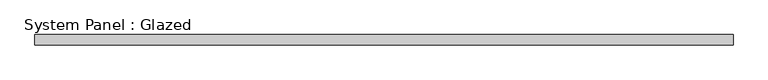
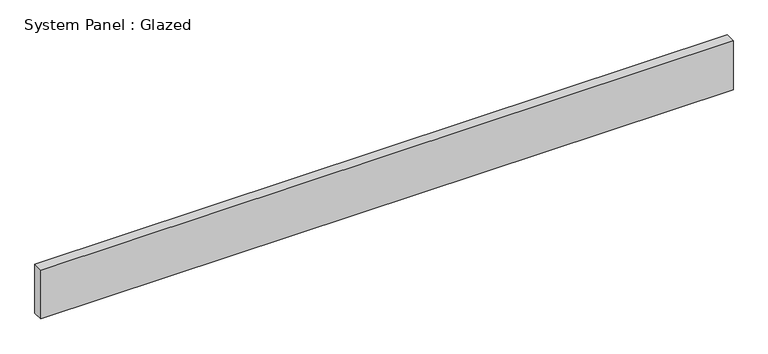
"""IFC4 building model written with IfcOpenShell, lengths in millimetres: plate geometry, System Panel : Glazed."""

import ifcopenshell
import ifcopenshell.guid

model = None  # the IFC model being written
_history = None  # IfcOwnerHistory: only IFC2X3 demands one
_inside = {}  # id of a spatial element -> (the spatial element, [elements in it])
_under = {}  # id of a project, library or spatial element -> (it, [spatial elements below it])
_declared = {}  # id of a project -> (the project, [libraries it declares])
_typed = {}  # id of a type object -> (the type object, [elements of that type])
_made_of = {}  # id of a material, layer set ... -> (it, [elements and type objects made of it])


def new_model(schema):
    """Start an empty IFC model of exactly this schema.

    Asked for "IFC4X3", IfcOpenShell would pick the latest addendum, in which some entities
    have other attributes; the version numbers below select the first issue.
    IFC2X3 requires an IfcOwnerHistory on every rooted entity: one is made here for all.
    """
    global model, _history
    if schema == "IFC4X3":
        model = ifcopenshell.file(schema_version=(4, 3, 0, 0))
    else:
        model = ifcopenshell.file(schema=schema)
    _inside.clear()
    _under.clear()
    _declared.clear()
    _typed.clear()
    _made_of.clear()
    _history = None
    if model.schema == "IFC2X3":
        org = make("IfcOrganization", Name="unknown")
        user = make(
            "IfcPersonAndOrganization",
            ThePerson=make("IfcPerson", FamilyName="unknown"),
            TheOrganization=org,
        )
        app = make(
            "IfcApplication",
            ApplicationDeveloper=org,
            Version="unknown",
            ApplicationFullName="unknown",
            ApplicationIdentifier="unknown",
        )
        _history = make(
            "IfcOwnerHistory",
            OwningUser=user,
            OwningApplication=app,
            ChangeAction="ADDED",
            CreationDate=0,
        )
    return model


def make(cls, **values):
    """One entity of the class cls with the attributes given. An attribute that is None is left unset."""
    return model.create_entity(
        cls, **{name: value for name, value in values.items() if value is not None}
    )


def rooted(cls, **values):
    """An entity with a GlobalId (a new one), such as an element, a storey or a relation."""
    return make(cls, GlobalId=ifcopenshell.guid.new(), OwnerHistory=_history, **values)


def si_unit(unit_type, name, prefix=None):
    """IfcSIUnit, for example si_unit("LENGTHUNIT", "METRE", prefix="MILLI")."""
    return make("IfcSIUnit", UnitType=unit_type, Prefix=prefix, Name=name)


def assignment(units):
    """IfcUnitAssignment: the units of a project."""
    return None if units is None else make("IfcUnitAssignment", Units=units)


def point(xyz):
    """IfcCartesianPoint."""
    return None if xyz is None else make("IfcCartesianPoint", Coordinates=xyz)


def direction(xyz):
    """IfcDirection."""
    return None if xyz is None else make("IfcDirection", DirectionRatios=xyz)


def frame(location, z_axis=None, x_axis=None):
    """IfcAxis2Placement3D, a coordinate frame: its origin and axes. An axis left out is left unset."""
    return make(
        "IfcAxis2Placement3D",
        Location=point(location),
        Axis=direction(z_axis),
        RefDirection=direction(x_axis),
    )


def origin():
    """The frame at (0, 0, 0) with its axes left unset."""
    return frame((0.0, 0.0, 0.0))


def origin_with_axes():
    """The frame at (0, 0, 0) with the z axis (0, 0, 1) and the x axis (1, 0, 0) written out."""
    return frame((0.0, 0.0, 0.0), z_axis=(0.0, 0.0, 1.0), x_axis=(1.0, 0.0, 0.0))


def place(relative_to, where):
    """IfcLocalPlacement: puts the frame where relative to a parent placement (None: the world)."""
    return make(
        "IfcLocalPlacement", PlacementRelTo=relative_to, RelativePlacement=where
    )


def context(
    kind, dimensions, precision=None, world=None, true_north=None, identifier=None
):
    """IfcGeometricRepresentationContext, for example the 3D "Model" context."""
    return make(
        "IfcGeometricRepresentationContext",
        ContextIdentifier=identifier,
        ContextType=kind,
        CoordinateSpaceDimension=dimensions,
        Precision=precision,
        WorldCoordinateSystem=world,
        TrueNorth=true_north,
    )


def project(units=None, contexts=None):
    """IfcProject with its units and contexts."""
    return rooted(
        "IfcProject",
        Name="project",
        RepresentationContexts=contexts,
        UnitsInContext=assignment(units),
    )


def spatial(cls, under=None, at=None, **own):
    """A site, building, storey or space (cls), placed at a placement, below another one or the project."""
    s = rooted(cls, ObjectPlacement=at, **own)
    if under is not None:
        _under.setdefault(under.id(), (under, []))[1].append(s)
    return s


def polyline(points):
    """IfcPolyline through the points."""
    return make("IfcPolyline", Points=[point(p) for p in points])


def outline(outer, holes=None, kind="AREA"):
    """IfcArbitraryClosedProfileDef: a profile drawn as a closed curve; with holes, ...WithVoids."""
    if holes is None:
        return make("IfcArbitraryClosedProfileDef", ProfileType=kind, OuterCurve=outer)
    return make(
        "IfcArbitraryProfileDefWithVoids",
        ProfileType=kind,
        OuterCurve=outer,
        InnerCurves=holes,
    )


def extrude(swept, where, along, depth):
    """IfcExtrudedAreaSolid: the profile swept, set in the frame where, extruded along a direction by depth."""
    return make(
        "IfcExtrudedAreaSolid",
        SweptArea=swept,
        Position=where,
        ExtrudedDirection=direction(along),
        Depth=depth,
    )


def shape(context_of_items, identifier, shape_type, items):
    """IfcShapeRepresentation: the items that make up one representation, for example the "Body"."""
    return make(
        "IfcShapeRepresentation",
        ContextOfItems=context_of_items,
        RepresentationIdentifier=identifier,
        RepresentationType=shape_type,
        Items=items,
    )


def source(mapping_origin, context_of_items, identifier, shape_type, items):
    """IfcRepresentationMap: a shape defined once, which mapped items show again and again."""
    return make(
        "IfcRepresentationMap",
        MappingOrigin=mapping_origin,
        MappedRepresentation=shape(context_of_items, identifier, shape_type, items),
    )


def transform(
    local_origin,
    x_axis=None,
    y_axis=None,
    z_axis=None,
    scale=None,
    scale2=None,
    scale3=None,
    uniform=True,
):
    """IfcCartesianTransformationOperator3D, or its non-uniform kind. x_axis, y_axis, z_axis: its Axis1, 2, 3."""
    if uniform:
        return make(
            "IfcCartesianTransformationOperator3D",
            Axis1=direction(x_axis),
            Axis2=direction(y_axis),
            LocalOrigin=point(local_origin),
            Scale=scale,
            Axis3=direction(z_axis),
        )
    return make(
        "IfcCartesianTransformationOperator3DnonUniform",
        Axis1=direction(x_axis),
        Axis2=direction(y_axis),
        LocalOrigin=point(local_origin),
        Scale=scale,
        Axis3=direction(z_axis),
        Scale2=scale2,
        Scale3=scale3,
    )


def mapped(mapping_source, mapping_target):
    """IfcMappedItem: shows the shape of a source again, moved by a transform."""
    return make(
        "IfcMappedItem", MappingSource=mapping_source, MappingTarget=mapping_target
    )


def made_of(thing, what):
    """Note that an element or type object is made of a material, layer set ...; save() writes the relation."""
    if what is not None:
        _made_of.setdefault(what.id(), (what, []))[1].append(thing)
    return thing


def element(
    cls,
    number,
    at=None,
    inside=None,
    cuts=None,
    type_object=None,
    material=None,
    context=None,
    identifier="Body",
    shape_type=None,
    held_by="IfcProductDefinitionShape",
    body=None,
    shapes=None,
    **own,
):
    """One element of the class cls, such as IfcWall. Its Tag is "e" and its number.

    at: its placement. inside: the storey or other place that contains it. cuts: it is an
    opening in that element (IfcRelVoidsElement). A single representation is given by context,
    identifier, shape_type and body (its items); several are given by shapes. held_by: the class
    of the entity that holds the representations. save() writes the other relations.
    """
    e = rooted(cls, Tag="e%d" % number, ObjectPlacement=at, **own)
    if body is not None:
        shapes = [shape(context, identifier, shape_type, body)]
    if shapes is not None:
        e.Representation = make(held_by, Representations=shapes)
    if inside is not None:
        _inside.setdefault(inside.id(), (inside, []))[1].append(e)
    if cuts is not None:
        rooted(
            "IfcRelVoidsElement", RelatingBuildingElement=cuts, RelatedOpeningElement=e
        )
    if type_object is not None:
        _typed.setdefault(type_object.id(), (type_object, []))[1].append(e)
    return made_of(e, material)


def aggregate(whole, parts):
    """IfcRelAggregates: a whole, such as a stair, and the parts it consists of."""
    return rooted("IfcRelAggregates", RelatingObject=whole, RelatedObjects=parts)


def save(model, path):
    """Write the relations noted so far, then the file.

    IfcRelAggregates (storeys below a building ...), IfcRelContainedInSpatialStructure (elements
    in a storey), IfcRelDefinesByType, IfcRelAssociatesMaterial and IfcRelDeclares: one each for
    every whole, place, type object, material and project.
    """
    for whole, parts in _under.values():
        aggregate(whole, parts)
    for where, things in _inside.values():
        rooted(
            "IfcRelContainedInSpatialStructure",
            RelatedElements=things,
            RelatingStructure=where,
        )
    for kind, things in _typed.values():
        rooted("IfcRelDefinesByType", RelatedObjects=things, RelatingType=kind)
    for what, things in _made_of.values():
        rooted("IfcRelAssociatesMaterial", RelatedObjects=things, RelatingMaterial=what)
    for by, libraries in _declared.values():
        rooted("IfcRelDeclares", RelatingContext=by, RelatedDefinitions=libraries)
    model.write(path)


def system_panel_glazed_be2e6372(model_context):
    return source(origin(), model_context, "Body", "SweptSolid", [
        extrude(outline(polyline([(850.9, -12.7), (-850.9, -12.7), (-850.9, 12.7), (850.9, 12.7), (850.9, -12.7)])), origin_with_axes(), (0.0, 0.0, 1.0), 127.0),
    ])


if __name__ == "__main__":
    model = new_model("IFC4")
    model_context = context("Model", 3, world=origin())
    ifc_project = project(units=[si_unit("LENGTHUNIT", "METRE", prefix="MILLI")], contexts=[model_context])
    site = spatial("IfcSite", under=ifc_project)
    building = spatial("IfcBuilding", under=site)
    placement = place(None, origin())
    system_panel_glazed_shape = system_panel_glazed_be2e6372(model_context)
    element("IfcPlate", 1, ObjectType="System Panel : Glazed", at=placement, inside=building, context=model_context, shape_type="MappedRepresentation", body=[
        mapped(system_panel_glazed_shape, transform((0.0, 0.0, 0.0), x_axis=(1.0, 0.0, 0.0), y_axis=(0.0, 1.0, 0.0), z_axis=(0.0, 0.0, 1.0))),
    ])
    save(model, "model.ifc")
